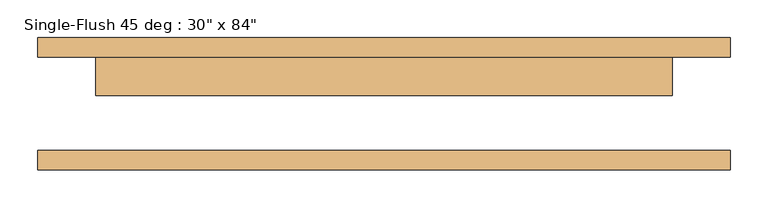
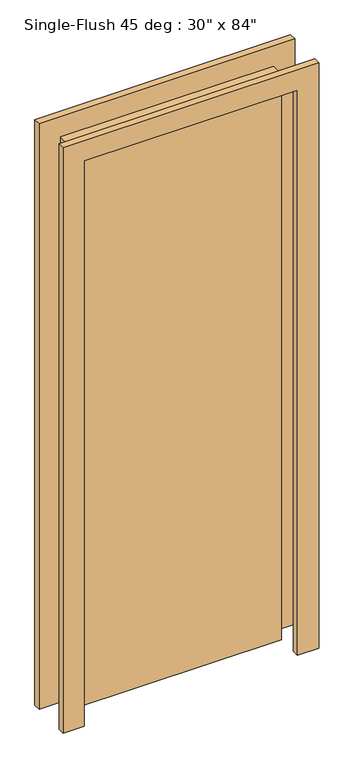
"""IFC4 building model written with IfcOpenShell, lengths in millimetres: door geometry."""

from ifc_helpers import new_model, si_unit, frame, origin, origin_with_axes, place, context, project, spatial, polyline, outline, extrude, source, transform, mapped, element, save


def door_f8acb57e(model_context):
    return source(origin(), model_context, "Body", "SweptSolid", [
        extrude(outline(polyline([(2209.8, -457.2), (0.0, -457.2), (0.0, -381.0), (2133.6, -381.0), (2133.6, 381.0), (0.0, 381.0), (0.0, 457.2), (2209.8, 457.2), (2209.8, -457.2)])), frame((0.0, 61.9125, 0.0), z_axis=(0.0, 1.0, 0.0), x_axis=(0.0, 0.0, 1.0)), (0.0, 0.0, 1.0), 25.4),
        extrude(outline(polyline([(2209.8, 457.2), (2209.8, -457.2), (0.0, -457.2), (0.0, -381.0), (2133.6, -381.0), (2133.6, 381.0), (0.0, 381.0), (0.0, 457.2), (2209.8, 457.2)])), frame((0.0, -87.3125, 0.0), z_axis=(0.0, 1.0, 0.0), x_axis=(0.0, 0.0, 1.0)), (0.0, 0.0, 1.0), 25.4),
        extrude(outline(polyline([(381.0, 11.1125), (-381.0, 11.1125), (-381.0, 61.9125), (381.0, 61.9125), (381.0, 11.1125)])), origin_with_axes(), (0.0, 0.0, 1.0), 2133.6),
    ])


if __name__ == "__main__":
    model = new_model("IFC4")
    model_context = context("Model", 3, world=origin())
    ifc_project = project(units=[si_unit("LENGTHUNIT", "METRE", prefix="MILLI")], contexts=[model_context])
    site = spatial("IfcSite", under=ifc_project)
    building = spatial("IfcBuilding", under=site)
    placement = place(None, origin())
    door_shape = door_f8acb57e(model_context)
    element("IfcDoor", 1, ObjectType="Single-Flush 45 deg : 30\" x 84\"", at=placement, inside=building, context=model_context, shape_type="MappedRepresentation", body=[
        mapped(door_shape, transform((0.0, 0.0, 0.0), x_axis=(1.0, 0.0, 0.0), y_axis=(0.0, 1.0, 0.0), z_axis=(0.0, 0.0, 1.0))),
    ])
    save(model, "model.ifc")
